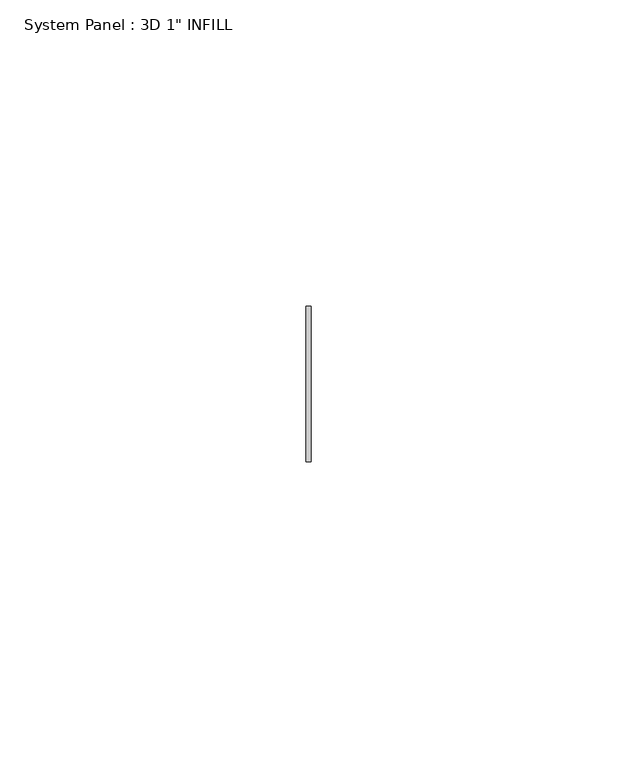
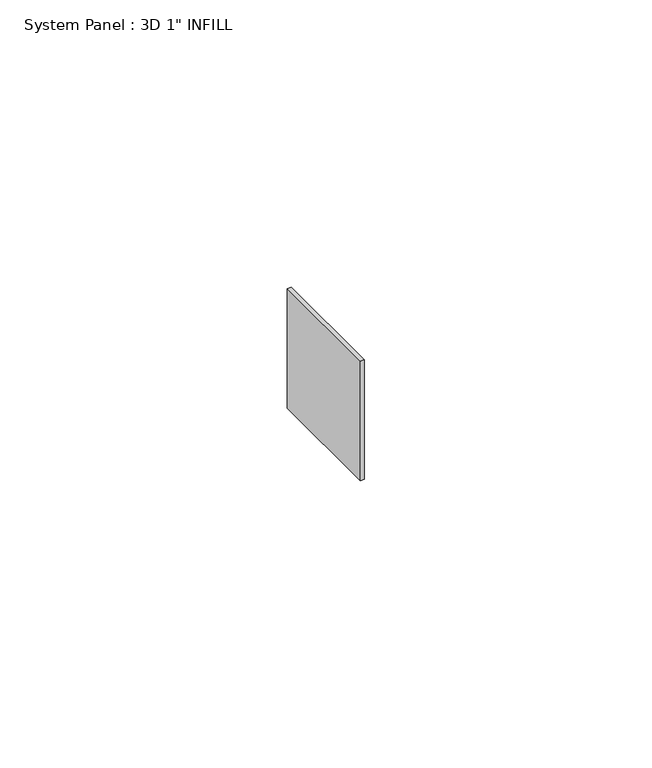
"""IFC4 building model written with IfcOpenShell, lengths in millimetres: plate geometry."""

from ifc_helpers import new_model, si_unit, origin, origin_with_axes, place, context, project, spatial, polyline, outline, extrude, source, transform, mapped, element, save


def plate_df5cbacf(model_context):
    return source(origin(), model_context, "Body", "SweptSolid", [
        extrude(outline(polyline([(0.3945068, -12.7), (-0.3945068, -12.7), (-0.3945068, 12.7), (0.3945068, 12.7), (0.3945068, -12.7)])), origin_with_axes(), (0.0, 0.0, 1.0), 25.4),
    ])


if __name__ == "__main__":
    model = new_model("IFC4")
    model_context = context("Model", 3, world=origin())
    ifc_project = project(units=[si_unit("LENGTHUNIT", "METRE", prefix="MILLI")], contexts=[model_context])
    site = spatial("IfcSite", under=ifc_project)
    building = spatial("IfcBuilding", under=site)
    placement = place(None, origin())
    plate_shape = plate_df5cbacf(model_context)
    element("IfcPlate", 1, ObjectType="System Panel : 3D 1\" INFILL", at=placement, inside=building, context=model_context, shape_type="MappedRepresentation", body=[
        mapped(plate_shape, transform((0.0, 0.0, 0.0), x_axis=(1.0, 0.0, 0.0), y_axis=(0.0, 1.0, 0.0), z_axis=(0.0, 0.0, 1.0))),
    ])
    save(model, "model.ifc")
